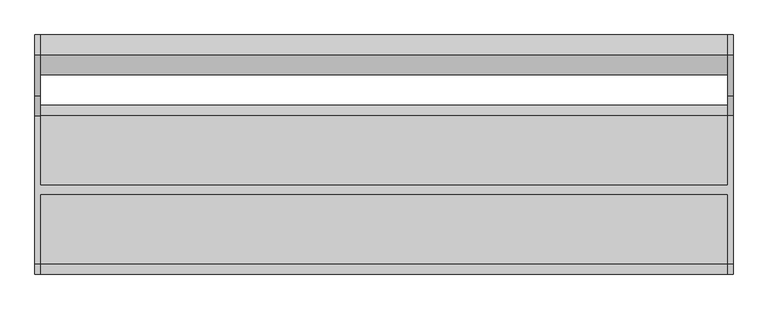
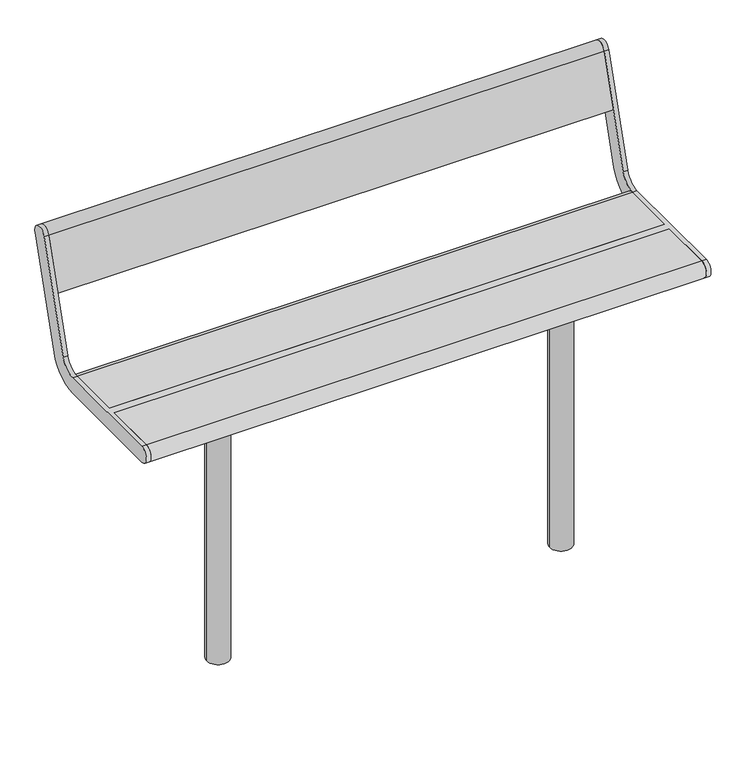
"""IFC4 building model written with IfcOpenShell, lengths in millimetres: furniture geometry."""

import ifcopenshell
import ifcopenshell.guid

model = None  # the IFC model being written
_history = None  # IfcOwnerHistory: only IFC2X3 demands one
_inside = {}  # id of a spatial element -> (the spatial element, [elements in it])
_under = {}  # id of a project, library or spatial element -> (it, [spatial elements below it])
_declared = {}  # id of a project -> (the project, [libraries it declares])
_typed = {}  # id of a type object -> (the type object, [elements of that type])
_made_of = {}  # id of a material, layer set ... -> (it, [elements and type objects made of it])


def new_model(schema):
    """Start an empty IFC model of exactly this schema.

    Asked for "IFC4X3", IfcOpenShell would pick the latest addendum, in which some entities
    have other attributes; the version numbers below select the first issue.
    IFC2X3 requires an IfcOwnerHistory on every rooted entity: one is made here for all.
    """
    global model, _history
    if schema == "IFC4X3":
        model = ifcopenshell.file(schema_version=(4, 3, 0, 0))
    else:
        model = ifcopenshell.file(schema=schema)
    _inside.clear()
    _under.clear()
    _declared.clear()
    _typed.clear()
    _made_of.clear()
    _history = None
    if model.schema == "IFC2X3":
        org = make("IfcOrganization", Name="unknown")
        user = make(
            "IfcPersonAndOrganization",
            ThePerson=make("IfcPerson", FamilyName="unknown"),
            TheOrganization=org,
        )
        app = make(
            "IfcApplication",
            ApplicationDeveloper=org,
            Version="unknown",
            ApplicationFullName="unknown",
            ApplicationIdentifier="unknown",
        )
        _history = make(
            "IfcOwnerHistory",
            OwningUser=user,
            OwningApplication=app,
            ChangeAction="ADDED",
            CreationDate=0,
        )
    return model


def make(cls, **values):
    """One entity of the class cls with the attributes given. An attribute that is None is left unset."""
    return model.create_entity(
        cls, **{name: value for name, value in values.items() if value is not None}
    )


def rooted(cls, **values):
    """An entity with a GlobalId (a new one), such as an element, a storey or a relation."""
    return make(cls, GlobalId=ifcopenshell.guid.new(), OwnerHistory=_history, **values)


def si_unit(unit_type, name, prefix=None):
    """IfcSIUnit, for example si_unit("LENGTHUNIT", "METRE", prefix="MILLI")."""
    return make("IfcSIUnit", UnitType=unit_type, Prefix=prefix, Name=name)


def assignment(units):
    """IfcUnitAssignment: the units of a project."""
    return None if units is None else make("IfcUnitAssignment", Units=units)


def point(xyz):
    """IfcCartesianPoint."""
    return None if xyz is None else make("IfcCartesianPoint", Coordinates=xyz)


def direction(xyz):
    """IfcDirection."""
    return None if xyz is None else make("IfcDirection", DirectionRatios=xyz)


def frame(location, z_axis=None, x_axis=None):
    """IfcAxis2Placement3D, a coordinate frame: its origin and axes. An axis left out is left unset."""
    return make(
        "IfcAxis2Placement3D",
        Location=point(location),
        Axis=direction(z_axis),
        RefDirection=direction(x_axis),
    )


def frame_2d(location, x_axis=None):
    """IfcAxis2Placement2D, a coordinate frame in the plane: its origin and x axis."""
    return make(
        "IfcAxis2Placement2D", Location=point(location), RefDirection=direction(x_axis)
    )


def origin():
    """The frame at (0, 0, 0) with its axes left unset."""
    return frame((0.0, 0.0, 0.0))


def place(relative_to, where):
    """IfcLocalPlacement: puts the frame where relative to a parent placement (None: the world)."""
    return make(
        "IfcLocalPlacement", PlacementRelTo=relative_to, RelativePlacement=where
    )


def context(
    kind, dimensions, precision=None, world=None, true_north=None, identifier=None
):
    """IfcGeometricRepresentationContext, for example the 3D "Model" context."""
    return make(
        "IfcGeometricRepresentationContext",
        ContextIdentifier=identifier,
        ContextType=kind,
        CoordinateSpaceDimension=dimensions,
        Precision=precision,
        WorldCoordinateSystem=world,
        TrueNorth=true_north,
    )


def project(units=None, contexts=None):
    """IfcProject with its units and contexts."""
    return rooted(
        "IfcProject",
        Name="project",
        RepresentationContexts=contexts,
        UnitsInContext=assignment(units),
    )


def spatial(cls, under=None, at=None, **own):
    """A site, building, storey or space (cls), placed at a placement, below another one or the project."""
    s = rooted(cls, ObjectPlacement=at, **own)
    if under is not None:
        _under.setdefault(under.id(), (under, []))[1].append(s)
    return s


def polyline(points):
    """IfcPolyline through the points."""
    return make("IfcPolyline", Points=[point(p) for p in points])


def circle_curve(where, radius):
    """IfcCircle in the frame where."""
    return make("IfcCircle", Position=where, Radius=radius)


def trimmed(basis, trim1, trim2, sense, master):
    """IfcTrimmedCurve: the piece of a basis curve between two trims."""
    return make(
        "IfcTrimmedCurve",
        BasisCurve=basis,
        Trim1=trim1,
        Trim2=trim2,
        SenseAgreement=sense,
        MasterRepresentation=master,
    )


def segment(curve, same_sense, transition):
    """IfcCompositeCurveSegment."""
    return make(
        "IfcCompositeCurveSegment",
        Transition=transition,
        SameSense=same_sense,
        ParentCurve=curve,
    )


def composite_curve(segments, self_intersect=None):
    """IfcCompositeCurve: segments joined end to end."""
    return make("IfcCompositeCurve", Segments=segments, SelfIntersect=self_intersect)


def outline(outer, holes=None, kind="AREA"):
    """IfcArbitraryClosedProfileDef: a profile drawn as a closed curve; with holes, ...WithVoids."""
    if holes is None:
        return make("IfcArbitraryClosedProfileDef", ProfileType=kind, OuterCurve=outer)
    return make(
        "IfcArbitraryProfileDefWithVoids",
        ProfileType=kind,
        OuterCurve=outer,
        InnerCurves=holes,
    )


def extrude(swept, where, along, depth):
    """IfcExtrudedAreaSolid: the profile swept, set in the frame where, extruded along a direction by depth."""
    return make(
        "IfcExtrudedAreaSolid",
        SweptArea=swept,
        Position=where,
        ExtrudedDirection=direction(along),
        Depth=depth,
    )


def shape(context_of_items, identifier, shape_type, items):
    """IfcShapeRepresentation: the items that make up one representation, for example the "Body"."""
    return make(
        "IfcShapeRepresentation",
        ContextOfItems=context_of_items,
        RepresentationIdentifier=identifier,
        RepresentationType=shape_type,
        Items=items,
    )


def source(mapping_origin, context_of_items, identifier, shape_type, items):
    """IfcRepresentationMap: a shape defined once, which mapped items show again and again."""
    return make(
        "IfcRepresentationMap",
        MappingOrigin=mapping_origin,
        MappedRepresentation=shape(context_of_items, identifier, shape_type, items),
    )


def transform(
    local_origin,
    x_axis=None,
    y_axis=None,
    z_axis=None,
    scale=None,
    scale2=None,
    scale3=None,
    uniform=True,
):
    """IfcCartesianTransformationOperator3D, or its non-uniform kind. x_axis, y_axis, z_axis: its Axis1, 2, 3."""
    if uniform:
        return make(
            "IfcCartesianTransformationOperator3D",
            Axis1=direction(x_axis),
            Axis2=direction(y_axis),
            LocalOrigin=point(local_origin),
            Scale=scale,
            Axis3=direction(z_axis),
        )
    return make(
        "IfcCartesianTransformationOperator3DnonUniform",
        Axis1=direction(x_axis),
        Axis2=direction(y_axis),
        LocalOrigin=point(local_origin),
        Scale=scale,
        Axis3=direction(z_axis),
        Scale2=scale2,
        Scale3=scale3,
    )


def mapped(mapping_source, mapping_target):
    """IfcMappedItem: shows the shape of a source again, moved by a transform."""
    return make(
        "IfcMappedItem", MappingSource=mapping_source, MappingTarget=mapping_target
    )


def made_of(thing, what):
    """Note that an element or type object is made of a material, layer set ...; save() writes the relation."""
    if what is not None:
        _made_of.setdefault(what.id(), (what, []))[1].append(thing)
    return thing


def element(
    cls,
    number,
    at=None,
    inside=None,
    cuts=None,
    type_object=None,
    material=None,
    context=None,
    identifier="Body",
    shape_type=None,
    held_by="IfcProductDefinitionShape",
    body=None,
    shapes=None,
    **own,
):
    """One element of the class cls, such as IfcWall. Its Tag is "e" and its number.

    at: its placement. inside: the storey or other place that contains it. cuts: it is an
    opening in that element (IfcRelVoidsElement). A single representation is given by context,
    identifier, shape_type and body (its items); several are given by shapes. held_by: the class
    of the entity that holds the representations. save() writes the other relations.
    """
    e = rooted(cls, Tag="e%d" % number, ObjectPlacement=at, **own)
    if body is not None:
        shapes = [shape(context, identifier, shape_type, body)]
    if shapes is not None:
        e.Representation = make(held_by, Representations=shapes)
    if inside is not None:
        _inside.setdefault(inside.id(), (inside, []))[1].append(e)
    if cuts is not None:
        rooted(
            "IfcRelVoidsElement", RelatingBuildingElement=cuts, RelatedOpeningElement=e
        )
    if type_object is not None:
        _typed.setdefault(type_object.id(), (type_object, []))[1].append(e)
    return made_of(e, material)


def aggregate(whole, parts):
    """IfcRelAggregates: a whole, such as a stair, and the parts it consists of."""
    return rooted("IfcRelAggregates", RelatingObject=whole, RelatedObjects=parts)


def save(model, path):
    """Write the relations noted so far, then the file.

    IfcRelAggregates (storeys below a building ...), IfcRelContainedInSpatialStructure (elements
    in a storey), IfcRelDefinesByType, IfcRelAssociatesMaterial and IfcRelDeclares: one each for
    every whole, place, type object, material and project.
    """
    for whole, parts in _under.values():
        aggregate(whole, parts)
    for where, things in _inside.values():
        rooted(
            "IfcRelContainedInSpatialStructure",
            RelatedElements=things,
            RelatingStructure=where,
        )
    for kind, things in _typed.values():
        rooted("IfcRelDefinesByType", RelatedObjects=things, RelatingType=kind)
    for what, things in _made_of.values():
        rooted("IfcRelAssociatesMaterial", RelatedObjects=things, RelatingMaterial=what)
    for by, libraries in _declared.values():
        rooted("IfcRelDeclares", RelatingContext=by, RelatedDefinitions=libraries)
    model.write(path)


def plane_surface(at):
    """IfcPlane: the flat surface through the origin of the frame at, square to its z axis."""
    return make("IfcPlane", Position=at)


def cylinder_surface(at, radius):
    """IfcCylindricalSurface: all points at the distance radius from the z axis of the frame at."""
    return make("IfcCylindricalSurface", Position=at, Radius=radius)


def revolved_surface(curve, axis_point, axis_direction):
    """IfcSurfaceOfRevolution: the curve turned about the line through axis_point along axis_direction."""
    return make(
        "IfcSurfaceOfRevolution",
        SweptCurve=make("IfcArbitraryOpenProfileDef", ProfileType="CURVE", Curve=curve),
        AxisPosition=make("IfcAxis1Placement", Location=point(axis_point), Axis=direction(axis_direction)),
    )


def advanced_brep(points, edges, surfaces, faces):
    """IfcAdvancedBrep: a solid bounded by faces that lie on surfaces and meet in shared edges.

    An edge is (start, end): straight between two places in points (the first is 0);
    or (start, end, curve); or (start, end, curve, False) where it runs against its curve.
    A face is (place in surfaces, loops), or (place, loops, False) where it looks against
    its surface's normal. A loop lists edges by number (the first is 1), with a minus sign
    where the edge is run from its end to its start. The first loop is the outer one.
    """
    corners = [point(p) for p in points]
    vertices = [make("IfcVertexPoint", VertexGeometry=c) for c in corners]
    made = []
    for start, end, *more in edges:
        made.append(
            make(
                "IfcEdgeCurve",
                EdgeStart=vertices[start],
                EdgeEnd=vertices[end],
                EdgeGeometry=more[0] if more else make("IfcPolyline", Points=[corners[start], corners[end]]),
                SameSense=more[1] if len(more) > 1 else True,
            )
        )
    hull = []
    for where, loops, *sense in faces:
        bounds = []
        for j, loop in enumerate(loops):
            ring = [make("IfcOrientedEdge", EdgeElement=made[abs(k) - 1], Orientation=k > 0) for k in loop]
            bounds.append(
                make(
                    "IfcFaceOuterBound" if j == 0 else "IfcFaceBound",
                    Bound=make("IfcEdgeLoop", EdgeList=ring),
                    Orientation=True,
                )
            )
        hull.append(make("IfcAdvancedFace", Bounds=bounds, FaceSurface=surfaces[where], SameSense=sense[0] if sense else True))
    return make("IfcAdvancedBrep", Outer=make("IfcClosedShell", CfsFaces=hull))


def furniture_d796bb8b(model_context):
    return source(origin(), model_context, "Body", "SolidModel", [
        advanced_brep(
        [(-745.0, 291.5375971, 769.6910048), (-745.0, 203.533714, 481.8432733), (-745.0, 160.5, 450.0), (-745.0, 10.0, 450.0), (-745.0, 10.0, 405.0), (-745.0, 160.5, 405.0), (-745.0, 246.567428, 468.6865466), (-745.0, 334.5713112, 756.5342781), (-745.0, -160.5, 450.0), (-745.0, -160.5, 405.0), (-745.0, -10.0, 405.0), (-745.0, -10.0, 450.0), (-757.0, 291.5375971, 769.6910048), (-757.0, 334.5713112, 756.5342781), (-757.0, 246.567428, 468.6865466), (-757.0, 160.5, 405.0), (-757.0, -160.5, 405.0), (-757.0, -160.5, 450.0), (-757.0, 160.5, 450.0), (-757.0, 203.533714, 481.8432733), (745.0, -10.0, 450.0), (745.0, -160.5, 450.0), (757.0, -160.5, 450.0), (757.0, 160.5, 450.0), (745.0, 160.5, 450.0), (745.0, 10.0, 450.0), (745.0, 10.0, 405.0), (745.0, 160.5, 405.0), (757.0, 160.5, 405.0), (757.0, -160.5, 405.0), (745.0, -160.5, 405.0), (745.0, -10.0, 405.0), (757.0, 291.5375971, 769.6910048), (757.0, 203.533714, 481.8432733), (757.0, 246.567428, 468.6865466), (757.0, 334.5713112, 756.5342781), (745.0, 291.5375971, 769.6910048), (745.0, 334.5713112, 756.5342781), (745.0, 246.567428, 468.6865466), (745.0, 203.533714, 481.8432733)],
        [
            (0, 1),
            (1, 2, circle_curve(frame((-745.0, 160.5, 495.0), z_axis=(-1.0, 0.0, 0.0), x_axis=(0.0, -1.0, 0.0)), 45.0)),
            (2, 3),
            (3, 4),
            (4, 5),
            (5, 6, circle_curve(frame((-745.0, 160.5, 495.0), z_axis=(1.0, 0.0, 0.0), x_axis=(0.0, -1.0, 0.0)), 90.0)),
            (6, 7),
            (7, 0, circle_curve(frame((-745.0, 313.0544541, 763.1126415), z_axis=(1.0, 0.0, 0.0), x_axis=(0.0, -1.0, 0.0)), 22.5)),
            (8, 9, circle_curve(frame((-745.0, -160.5, 427.5), z_axis=(1.0, 0.0, 0.0), x_axis=(0.0, -1.0, 0.0)), 22.5)),
            (9, 10),
            (10, 11),
            (11, 8),
            (12, 13, circle_curve(frame((-757.0, 313.0544541, 763.1126415), z_axis=(-1.0, 0.0, 0.0), x_axis=(0.0, -1.0, 0.0)), 22.5)),
            (13, 14),
            (14, 15, circle_curve(frame((-757.0, 160.5, 495.0), z_axis=(-1.0, 0.0, 0.0), x_axis=(0.0, -1.0, 0.0)), 90.0)),
            (15, 16),
            (16, 17, circle_curve(frame((-757.0, -160.5, 427.5), z_axis=(-1.0, 0.0, 0.0), x_axis=(0.0, -1.0, 0.0)), 22.5)),
            (17, 18),
            (18, 19, circle_curve(frame((-757.0, 160.5, 495.0), z_axis=(1.0, 0.0, 0.0), x_axis=(0.0, -1.0, 0.0)), 45.0)),
            (19, 12),
            (0, 12),
            (19, 1),
            (18, 2),
            (17, 8),
            (11, 20),
            (20, 21),
            (21, 22),
            (22, 23),
            (23, 24),
            (24, 25),
            (25, 3),
            (15, 5),
            (4, 26),
            (26, 27),
            (27, 28),
            (28, 29),
            (29, 30),
            (30, 31),
            (31, 10),
            (9, 16),
            (14, 6),
            (13, 7),
            (31, 20),
            (25, 26),
            (32, 33),
            (33, 23, circle_curve(frame((757.0, 160.5, 495.0), z_axis=(-1.0, 0.0, 0.0), x_axis=(0.0, -1.0, 0.0)), 45.0)),
            (22, 29, circle_curve(frame((757.0, -160.5, 427.5), z_axis=(1.0, 0.0, 0.0), x_axis=(0.0, -1.0, 0.0)), 22.5)),
            (28, 34, circle_curve(frame((757.0, 160.5, 495.0), z_axis=(1.0, 0.0, 0.0), x_axis=(0.0, -1.0, 0.0)), 90.0)),
            (34, 35),
            (35, 32, circle_curve(frame((757.0, 313.0544541, 763.1126415), z_axis=(1.0, 0.0, 0.0), x_axis=(0.0, -1.0, 0.0)), 22.5)),
            (36, 37, circle_curve(frame((745.0, 313.0544541, 763.1126415), z_axis=(-1.0, 0.0, 0.0), x_axis=(0.0, -1.0, 0.0)), 22.5)),
            (37, 38),
            (38, 27, circle_curve(frame((745.0, 160.5, 495.0), z_axis=(-1.0, 0.0, 0.0), x_axis=(0.0, -1.0, 0.0)), 90.0)),
            (24, 39, circle_curve(frame((745.0, 160.5, 495.0), z_axis=(1.0, 0.0, 0.0), x_axis=(0.0, -1.0, 0.0)), 45.0)),
            (39, 36),
            (30, 21, circle_curve(frame((745.0, -160.5, 427.5), z_axis=(-1.0, 0.0, 0.0), x_axis=(0.0, -1.0, 0.0)), 22.5)),
            (32, 36),
            (39, 33),
            (38, 34),
            (37, 35),
        ],
        [
            plane_surface(frame((-745.0, 203.533714, 481.8432733), z_axis=(1.0, 0.0, 0.0), x_axis=(0.0, -0.29237170472273366, -0.9563047559630364))),
            plane_surface(frame((-757.0, 203.533714, 481.8432733), z_axis=(-1.0, 0.0, 0.0), x_axis=(0.0, 0.29237170472273366, 0.9563047559630364))),
            plane_surface(frame((-745.0, 291.5375971, 769.6910048), z_axis=(0.0, -0.9563047559630364, 0.29237170472273366), x_axis=(-1.0, 0.0, 0.0))),
            revolved_surface(polyline([(-757.0, 115.5, 495.0), (-745.0, 115.5, 495.0)]), (-757.0, 160.5, 495.0), (-1.0, 0.0, 0.0)),
            plane_surface(frame((-745.0, 160.5, 450.0), z_axis=(0.0, 0.0, 1.0), x_axis=(-1.0, 0.0, 0.0))),
            plane_surface(frame((-745.0, -160.5, 405.0), z_axis=(0.0, 0.0, -1.0), x_axis=(-1.0, 0.0, 0.0))),
            cylinder_surface(frame((-757.0, 160.5, 495.0), z_axis=(1.0, 0.0, 0.0), x_axis=(0.0, -1.0, 0.0)), 90.0),
            plane_surface(frame((-745.0, 246.567428, 468.6865466), z_axis=(0.0, 0.9563047559630364, -0.29237170472273366), x_axis=(-1.0, 0.0, 0.0))),
            cylinder_surface(frame((-757.0, 313.0544541, 763.1126415), z_axis=(1.0, 0.0, 0.0), x_axis=(0.0, -1.0, 0.0)), 22.5),
            cylinder_surface(frame((-757.0, -160.5, 427.5), z_axis=(1.0, 0.0, 0.0), x_axis=(0.0, -1.0, 0.0)), 22.5),
            plane_surface(frame((745.0, -10.0, 450.0), z_axis=(0.0, -1.0, 0.0), x_axis=(-1.0, 0.0, 0.0))),
            plane_surface(frame((745.0, 10.0, 405.0), z_axis=(0.0, 1.0, 0.0), x_axis=(-1.0, 0.0, 0.0))),
            plane_surface(frame((757.0, 203.533714, 481.8432733), z_axis=(1.0, 0.0, 0.0), x_axis=(0.0, -0.29237170472273366, -0.9563047559630364))),
            plane_surface(frame((745.0, 203.533714, 481.8432733), z_axis=(-1.0, 0.0, 0.0), x_axis=(0.0, 0.29237170472273366, 0.9563047559630364))),
            plane_surface(frame((757.0, 291.5375971, 769.6910048), z_axis=(0.0, -0.9563047559630364, 0.29237170472273366), x_axis=(-1.0, 0.0, 0.0))),
            revolved_surface(polyline([(745.0, 115.5, 495.0), (757.0, 115.5, 495.0)]), (745.0, 160.5, 495.0), (-1.0, 0.0, 0.0)),
            cylinder_surface(frame((745.0, 160.5, 495.0), z_axis=(1.0, 0.0, 0.0), x_axis=(0.0, -1.0, 0.0)), 90.0),
            plane_surface(frame((757.0, 246.567428, 468.6865466), z_axis=(0.0, 0.9563047559630364, -0.29237170472273366), x_axis=(-1.0, 0.0, 0.0))),
            cylinder_surface(frame((745.0, 313.0544541, 763.1126415), z_axis=(1.0, 0.0, 0.0), x_axis=(0.0, -1.0, 0.0)), 22.5),
            cylinder_surface(frame((745.0, -160.5, 427.5), z_axis=(1.0, 0.0, 0.0), x_axis=(0.0, -1.0, 0.0)), 22.5),
        ],
        [
            (0, [[1, 2, 3, 4, 5, 6, 7, 8]]),
            (0, [[9, 10, 11, 12]]),
            (1, [[13, 14, 15, 16, 17, 18, 19, 20]]),
            (2, [[-1, 21, -20, 22]]),
            (3, [[-2, -22, -19, 23]]),
            (4, [[-18, 24, -12, 25, 26, 27, 28, 29, 30, 31, -3, -23]]),
            (5, [[-16, 32, -5, 33, 34, 35, 36, 37, 38, 39, -10, 40]]),
            (6, [[-6, -32, -15, 41]]),
            (7, [[-7, -41, -14, 42]]),
            (8, [[-8, -42, -13, -21]]),
            (9, [[-9, -24, -17, -40]]),
            (10, [[-25, -11, -39, 43]]),
            (11, [[-31, 44, -33, -4]]),
            (12, [[45, 46, -28, 47, -36, 48, 49, 50]]),
            (13, [[51, 52, 53, -34, -44, -30, 54, 55]]),
            (13, [[56, -26, -43, -38]]),
            (14, [[-45, 57, -55, 58]]),
            (15, [[-46, -58, -54, -29]]),
            (16, [[-48, -35, -53, 59]]),
            (17, [[-49, -59, -52, 60]]),
            (18, [[-50, -60, -51, -57]]),
            (19, [[-47, -27, -56, -37]]),
        ],
    ),
        extrude(outline(composite_curve([segment(trimmed(circle_curve(frame_2d((313.0544541, 763.1126415)), 22.5), [point((291.5375971, 769.6910048))], [point((334.5713112, 756.5342781))], False, "CARTESIAN"), True, "CONTINUOUS"), segment(polyline([(334.5713112, 756.5342781), (292.0312281, 617.3919361), (248.9975141, 630.5486628), (291.5375971, 769.6910048)]), True, "CONTINUOUS")], self_intersect=False)), frame((-745.0, 0.0, 0.0), z_axis=(1.0, 0.0, 0.0), x_axis=(0.0, 1.0, 0.0)), (0.0, 0.0, 1.0), 1490.0),
        extrude(outline(composite_curve([segment(polyline([(10.0, 405.0), (10.0, 450.0), (160.5, 450.0)]), True, "CONTINUOUS"), segment(trimmed(circle_curve(frame_2d((160.5, 427.5)), 22.5), [point((160.5, 450.0))], [point((160.5, 405.0))], False, "CARTESIAN"), True, "CONTINUOUS"), segment(polyline([(160.5, 405.0), (10.0, 405.0)]), True, "CONTINUOUS")], self_intersect=False)), frame((-745.0, 0.0, 0.0), z_axis=(1.0, 0.0, 0.0), x_axis=(0.0, 1.0, 0.0)), (0.0, 0.0, 1.0), 1490.0),
        extrude(outline(composite_curve([segment(polyline([(-10.0, 405.0), (-160.5, 405.0)]), True, "CONTINUOUS"), segment(trimmed(circle_curve(frame_2d((-160.5, 427.5)), 22.5), [point((-160.5, 405.0))], [point((-160.5, 450.0))], False, "CARTESIAN"), True, "CONTINUOUS"), segment(polyline([(-160.5, 450.0), (-10.0, 450.0), (-10.0, 405.0)]), True, "CONTINUOUS")], self_intersect=False)), frame((-745.0, 0.0, 0.0), z_axis=(1.0, 0.0, 0.0), x_axis=(0.0, 1.0, 0.0)), (0.0, 0.0, 1.0), 1490.0),
        extrude(outline(composite_curve([segment(trimmed(circle_curve(frame_2d((460.0, 0.0)), 30.0), [point((430.0, 0.0))], [point((490.0, 0.0))], False, "CARTESIAN"), True, "CONTINUOUS"), segment(trimmed(circle_curve(frame_2d((460.0, 0.0)), 30.0), [point((490.0, 0.0))], [point((430.0, 0.0))], False, "CARTESIAN"), True, "CONTINUOUS")], self_intersect=False)), frame((0.0, 0.0, -350.0), z_axis=(0.0, 0.0, 1.0), x_axis=(1.0, 0.0, 0.0)), (0.0, 0.0, 1.0), 739.0),
        extrude(outline(polyline([(535.0, 125.0), (535.0, -125.0), (385.0, -125.0), (385.0, 125.0), (535.0, 125.0)])), frame((0.0, 0.0, 389.0), z_axis=(0.0, 0.0, 1.0), x_axis=(1.0, 0.0, 0.0)), (0.0, 0.0, 1.0), 16.0),
        extrude(outline(composite_curve([segment(trimmed(circle_curve(frame_2d((-460.0, 0.0)), 30.0), [point((-490.0, 0.0))], [point((-430.0, 0.0))], False, "CARTESIAN"), True, "CONTINUOUS"), segment(trimmed(circle_curve(frame_2d((-460.0, 0.0)), 30.0), [point((-430.0, 0.0))], [point((-490.0, 0.0))], False, "CARTESIAN"), True, "CONTINUOUS")], self_intersect=False)), frame((0.0, 0.0, -350.0), z_axis=(0.0, 0.0, 1.0), x_axis=(1.0, 0.0, 0.0)), (0.0, 0.0, 1.0), 739.0),
        extrude(outline(polyline([(-385.0, 125.0), (-385.0, -125.0), (-535.0, -125.0), (-535.0, 125.0), (-385.0, 125.0)])), frame((0.0, 0.0, 389.0), z_axis=(0.0, 0.0, 1.0), x_axis=(1.0, 0.0, 0.0)), (0.0, 0.0, 1.0), 16.0),
    ])


if __name__ == "__main__":
    model = new_model("IFC4")
    model_context = context("Model", 3, world=origin())
    ifc_project = project(units=[si_unit("LENGTHUNIT", "METRE", prefix="MILLI")], contexts=[model_context])
    site = spatial("IfcSite", under=ifc_project)
    building = spatial("IfcBuilding", under=site)
    placement = place(None, origin())
    furniture_shape = furniture_d796bb8b(model_context)
    element("IfcFurniture", 1, at=placement, inside=building, context=model_context, shape_type="MappedRepresentation", body=[
        mapped(furniture_shape, transform((0.0, 0.0, 0.0), x_axis=(1.0, 0.0, 0.0), y_axis=(0.0, 1.0, 0.0), z_axis=(0.0, 0.0, 1.0))),
    ])
    save(model, "model.ifc")
